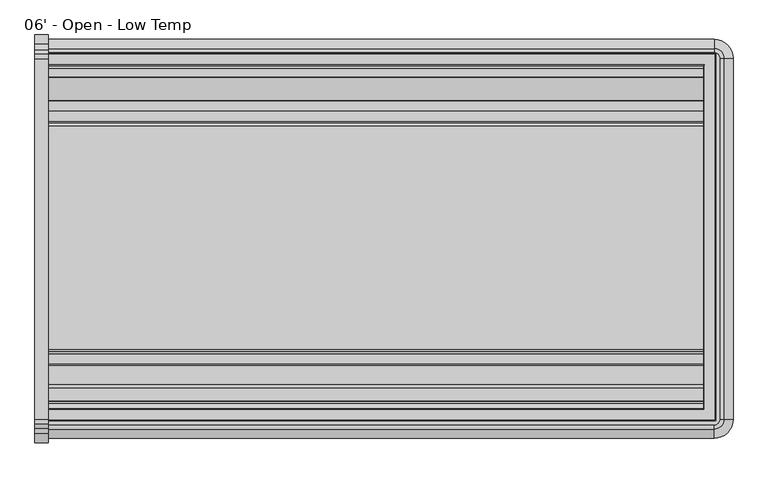
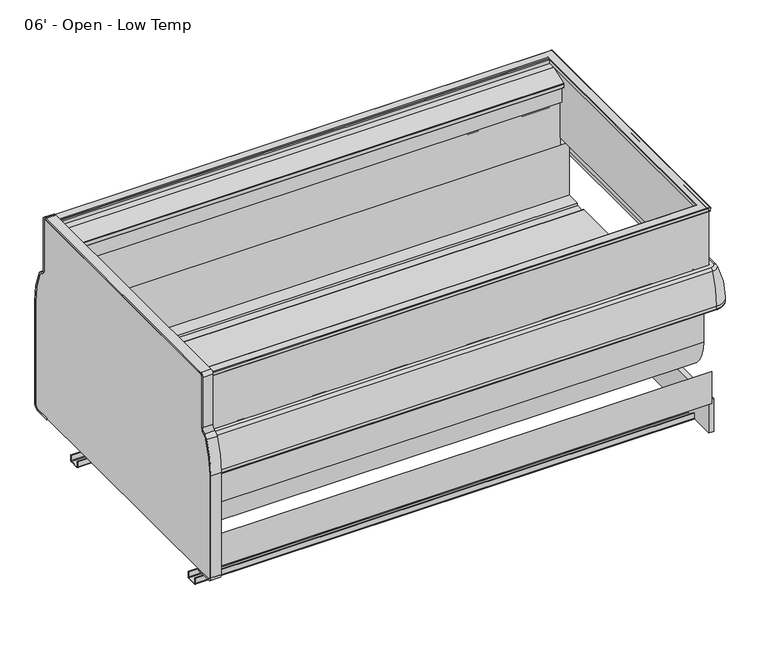
"""IFC4 building model written with IfcOpenShell, lengths in millimetres: proxy geometry, 06' - Open - Low Temp."""

from ifc_helpers import new_model, si_unit, point, frame, frame_2d, origin, place, context, project, spatial, polyline, circle_curve, ellipse_curve, trimmed, segment, composite_curve, outline, extrude, source, transform, mapped, element, save
from ifc_brep_helpers import plane_surface, cylinder_surface, revolved_surface, advanced_brep


def proxy_06_open_low_temp_35a147a4(model_context):
    return source(origin(), model_context, "Body", "SolidModel", [
        extrude(outline(composite_curve([segment(trimmed(circle_curve(frame_2d((-706.3089273, 750.8546562)), 311.15), [point((-395.1589273, 750.8546562))], [point((-421.4314087, 875.9910693))], True, "CARTESIAN"), True, "CONTINUOUS"), segment(trimmed(circle_curve(frame_2d((-438.8728894, 868.3296562)), 19.05), [point((-421.4314087, 875.9910693))], [point((-432.2872626, 886.2051148))], True, "CARTESIAN"), True, "CONTINUOUS"), segment(trimmed(circle_curve(frame_2d((-423.5064268, 910.0390596)), 25.4), [point((-432.2872626, 886.2051148))], [point((-448.9064268, 910.0390596))], False, "CARTESIAN"), True, "CONTINUOUS"), segment(polyline([(-448.9064268, 910.0390596), (-448.9064268, 1109.56602)]), True, "CONTINUOUS"), segment(trimmed(circle_curve(frame_2d((-455.2564268, 1109.56602)), 6.35), [point((-448.9064268, 1109.56602))], [point((-455.2564268, 1115.91602))], True, "CARTESIAN"), True, "CONTINUOUS"), segment(polyline([(-455.2564268, 1115.91602), (-1468.5364278, 1115.91602)]), True, "CONTINUOUS"), segment(trimmed(circle_curve(frame_2d((-1468.5364278, 1109.56602)), 6.35), [point((-1468.5364278, 1115.91602))], [point((-1474.8864278, 1109.56602))], True, "CARTESIAN"), True, "CONTINUOUS"), segment(polyline([(-1474.8864278, 1109.56602), (-1474.8864278, 910.0390596)]), True, "CONTINUOUS"), segment(trimmed(circle_curve(frame_2d((-1500.2864278, 910.0390596)), 25.4), [point((-1474.8864278, 910.0390596))], [point((-1491.505592, 886.2051148))], False, "CARTESIAN"), True, "CONTINUOUS"), segment(trimmed(circle_curve(frame_2d((-1484.9199652, 868.3296562)), 19.05), [point((-1491.505592, 886.2051148))], [point((-1502.3614459, 875.9910693))], True, "CARTESIAN"), True, "CONTINUOUS"), segment(trimmed(circle_curve(frame_2d((-1217.4839273, 750.8546562)), 311.15), [point((-1502.3614459, 875.9910693))], [point((-1528.6339273, 750.8546562))], True, "CARTESIAN"), True, "CONTINUOUS"), segment(polyline([(-1528.6339273, 750.8546562), (-1528.6339273, 344.70852)]), True, "CONTINUOUS"), segment(trimmed(circle_curve(frame_2d((-1515.9339273, 344.70852)), 12.7), [point((-1528.6339273, 344.70852))], [point((-1515.9339273, 332.00852))], True, "CARTESIAN"), True, "CONTINUOUS"), segment(polyline([(-1515.9339273, 332.00852), (-1455.9322513, 332.00852), (-1455.9322513, 325.65852), (-1515.9339273, 325.65852)]), True, "CONTINUOUS"), segment(trimmed(circle_curve(frame_2d((-1515.9339273, 344.70852)), 19.05), [point((-1515.9339273, 325.65852))], [point((-1534.9839273, 344.70852))], False, "CARTESIAN"), True, "CONTINUOUS"), segment(polyline([(-1534.9839273, 344.70852), (-1534.9839273, 750.8546562)]), True, "CONTINUOUS"), segment(trimmed(circle_curve(frame_2d((-1217.4839273, 750.8546562)), 317.5), [point((-1534.9839273, 750.8546562))], [point((-1508.1752729, 878.5448736))], False, "CARTESIAN"), True, "CONTINUOUS"), segment(trimmed(circle_curve(frame_2d((-1484.9199652, 868.3296562)), 25.4), [point((-1508.1752729, 878.5448736))], [point((-1493.700801, 892.163601))], False, "CARTESIAN"), True, "CONTINUOUS"), segment(trimmed(circle_curve(frame_2d((-1500.2864278, 910.0390596)), 19.05), [point((-1493.700801, 892.163601))], [point((-1481.2364278, 910.0390596))], True, "CARTESIAN"), True, "CONTINUOUS"), segment(polyline([(-1481.2364278, 910.0390596), (-1481.2364278, 1109.56602)]), True, "CONTINUOUS"), segment(trimmed(circle_curve(frame_2d((-1468.5364278, 1109.56602)), 12.7), [point((-1481.2364278, 1109.56602))], [point((-1468.5364278, 1122.26602))], False, "CARTESIAN"), True, "CONTINUOUS"), segment(polyline([(-1468.5364278, 1122.26602), (-455.2564268, 1122.26602)]), True, "CONTINUOUS"), segment(trimmed(circle_curve(frame_2d((-455.2564268, 1109.56602)), 12.7), [point((-455.2564268, 1122.26602))], [point((-442.5564268, 1109.56602))], False, "CARTESIAN"), True, "CONTINUOUS"), segment(polyline([(-442.5564268, 1109.56602), (-442.5564268, 910.0390596)]), True, "CONTINUOUS"), segment(trimmed(circle_curve(frame_2d((-423.5064268, 910.0390596)), 19.05), [point((-442.5564268, 910.0390596))], [point((-430.0920536, 892.163601))], True, "CARTESIAN"), True, "CONTINUOUS"), segment(trimmed(circle_curve(frame_2d((-438.8728894, 868.3296562)), 25.4), [point((-430.0920536, 892.163601))], [point((-415.6175817, 878.5448736))], False, "CARTESIAN"), True, "CONTINUOUS"), segment(trimmed(circle_curve(frame_2d((-706.3089273, 750.8546562)), 317.5), [point((-415.6175817, 878.5448736))], [point((-388.8089273, 750.8546562))], False, "CARTESIAN"), True, "CONTINUOUS"), segment(polyline([(-388.8089273, 750.8546562), (-388.8089273, 344.70852)]), True, "CONTINUOUS"), segment(trimmed(circle_curve(frame_2d((-407.8589273, 344.70852)), 19.05), [point((-388.8089273, 344.70852))], [point((-407.8589273, 325.65852))], False, "CARTESIAN"), True, "CONTINUOUS"), segment(polyline([(-407.8589273, 325.65852), (-466.0942513, 325.65852), (-466.0942513, 332.00852), (-407.8589273, 332.00852)]), True, "CONTINUOUS"), segment(trimmed(circle_curve(frame_2d((-407.8589273, 344.70852)), 12.7), [point((-407.8589273, 332.00852))], [point((-395.1589273, 344.70852))], True, "CARTESIAN"), True, "CONTINUOUS"), segment(polyline([(-395.1589273, 344.70852), (-395.1589273, 750.8546562)]), True, "CONTINUOUS")], self_intersect=False)), frame((-38.1, 0.0, 0.0), z_axis=(1.0, 0.0, 0.0), x_axis=(0.0, 1.0, 0.0)), (0.0, 0.0, 1.0), 38.1),
        extrude(outline(composite_curve([segment(polyline([(-395.1589273, 750.8546562), (-395.1589273, 344.70852)]), True, "CONTINUOUS"), segment(trimmed(circle_curve(frame_2d((-407.8589273, 344.70852)), 12.7), [point((-395.1589273, 344.70852))], [point((-407.8589273, 332.00852))], False, "CARTESIAN"), True, "CONTINUOUS"), segment(polyline([(-407.8589273, 332.00852), (-1515.9339273, 332.00852)]), True, "CONTINUOUS"), segment(trimmed(circle_curve(frame_2d((-1515.9339273, 344.70852)), 12.7), [point((-1515.9339273, 332.00852))], [point((-1528.6339273, 344.70852))], False, "CARTESIAN"), True, "CONTINUOUS"), segment(polyline([(-1528.6339273, 344.70852), (-1528.6339273, 750.8546562)]), True, "CONTINUOUS"), segment(trimmed(circle_curve(frame_2d((-1217.4839273, 750.8546562)), 311.15), [point((-1528.6339273, 750.8546562))], [point((-1502.3614459, 875.9910693))], False, "CARTESIAN"), True, "CONTINUOUS"), segment(trimmed(circle_curve(frame_2d((-1484.9199652, 868.3296562)), 19.05), [point((-1502.3614459, 875.9910693))], [point((-1491.505592, 886.2051148))], False, "CARTESIAN"), True, "CONTINUOUS"), segment(trimmed(circle_curve(frame_2d((-1500.2864278, 910.0390596)), 25.4), [point((-1491.505592, 886.2051148))], [point((-1474.8864278, 910.0390596))], True, "CARTESIAN"), True, "CONTINUOUS"), segment(polyline([(-1474.8864278, 910.0390596), (-1474.8864278, 1109.56602)]), True, "CONTINUOUS"), segment(trimmed(circle_curve(frame_2d((-1468.5364278, 1109.56602)), 6.35), [point((-1474.8864278, 1109.56602))], [point((-1468.5364278, 1115.91602))], False, "CARTESIAN"), True, "CONTINUOUS"), segment(polyline([(-1468.5364278, 1115.91602), (-455.2564268, 1115.91602)]), True, "CONTINUOUS"), segment(trimmed(circle_curve(frame_2d((-455.2564268, 1109.56602)), 6.35), [point((-455.2564268, 1115.91602))], [point((-448.9064268, 1109.56602))], False, "CARTESIAN"), True, "CONTINUOUS"), segment(polyline([(-448.9064268, 1109.56602), (-448.9064268, 910.0390596)]), True, "CONTINUOUS"), segment(trimmed(circle_curve(frame_2d((-423.5064268, 910.0390596)), 25.4), [point((-448.9064268, 910.0390596))], [point((-432.2872626, 886.2051148))], True, "CARTESIAN"), True, "CONTINUOUS"), segment(trimmed(circle_curve(frame_2d((-438.8728894, 868.3296562)), 19.05), [point((-432.2872626, 886.2051148))], [point((-421.4314087, 875.9910693))], False, "CARTESIAN"), True, "CONTINUOUS"), segment(trimmed(circle_curve(frame_2d((-706.3089273, 750.8546562)), 311.15), [point((-421.4314087, 875.9910693))], [point((-395.1589273, 750.8546562))], False, "CARTESIAN"), True, "CONTINUOUS")], self_intersect=False)), frame((-38.1, 0.0, 0.0), z_axis=(1.0, 0.0, 0.0), x_axis=(0.0, 1.0, 0.0)), (0.0, 0.0, 1.0), 38.1),
        extrude(outline(polyline([(1897.849374, -466.0942513), (1897.849374, -1455.9322513), (1877.7148438, -1455.9322513), (1877.7148438, -466.0942513), (1897.849374, -466.0942513)])), frame((0.0, 0.0, 202.18277), z_axis=(0.0, 0.0, 1.0), x_axis=(1.0, 0.0, 0.0)), (0.0, 0.0, 1.0), 129.82575),
        extrude(outline(composite_curve([segment(trimmed(circle_curve(frame_2d((-631.6006513, 595.49542)), 6.35), [point((-637.6294873, 593.50152))], [point((-631.6006513, 589.14542))], True, "CARTESIAN"), True, "CONTINUOUS"), segment(polyline([(-631.6006513, 589.14542), (-603.0256513, 589.14542), (-603.0256513, 586.78322), (-1312.6508513, 586.78322), (-1312.6508513, 589.14542), (-1284.0758513, 589.14542)]), True, "CONTINUOUS"), segment(trimmed(circle_curve(frame_2d((-1284.0758513, 595.49542)), 6.35), [point((-1284.0758513, 589.14542))], [point((-1278.0470154, 593.50152))], True, "CARTESIAN"), True, "CONTINUOUS"), segment(trimmed(circle_curve(frame_2d((-1272.0181794, 591.50762)), 6.35), [point((-1278.0470154, 593.50152))], [point((-1272.0181794, 597.85762))], False, "CARTESIAN"), True, "CONTINUOUS"), segment(polyline([(-1272.0181794, 597.85762), (-643.6583232, 597.85762)]), True, "CONTINUOUS"), segment(trimmed(circle_curve(frame_2d((-643.6583232, 591.50762)), 6.35), [point((-643.6583232, 597.85762))], [point((-637.6294873, 593.50152))], False, "CARTESIAN"), True, "CONTINUOUS")], self_intersect=False)), frame((0.0, 0.0, 0.0), z_axis=(1.0, 0.0, 0.0), x_axis=(0.0, 1.0, 0.0)), (0.0, 0.0, 1.0), 1877.7148438),
        extrude(outline(polyline([(-1323.1509772, 332.00852), (-1475.9703113, 332.00852), (-1475.9703113, 460.2391669), (-1323.1509772, 332.00852)])), frame((0.0, 0.0, 0.0), z_axis=(1.0, 0.0, 0.0), x_axis=(0.0, 1.0, 0.0)), (0.0, 0.0, 1.0), 1877.7148438),
        extrude(outline(composite_curve([segment(polyline([(-1320.1946513, 227.08747), (-1320.1946513, 207.33897)]), True, "CONTINUOUS"), segment(trimmed(circle_curve(frame_2d((-1325.3508513, 207.33897)), 5.1562), [point((-1320.1946513, 207.33897))], [point((-1325.3508513, 202.18277))], False, "CARTESIAN"), True, "CONTINUOUS"), segment(polyline([(-1325.3508513, 202.18277), (-1360.5361197, 202.18277)]), True, "CONTINUOUS"), segment(trimmed(circle_curve(frame_2d((-1360.5361197, 207.33897)), 5.1562), [point((-1360.5361197, 202.18277))], [point((-1365.6923197, 207.33897))], False, "CARTESIAN"), True, "CONTINUOUS"), segment(polyline([(-1365.6923197, 207.33897), (-1365.6923197, 227.07477), (-1362.6507513, 227.07477), (-1362.6507513, 207.33897)]), True, "CONTINUOUS"), segment(trimmed(circle_curve(frame_2d((-1360.2631513, 207.33897)), 2.3876), [point((-1362.6507513, 207.33897))], [point((-1360.2631513, 204.95137))], True, "CARTESIAN"), True, "CONTINUOUS"), segment(polyline([(-1360.2631513, 204.95137), (-1325.3508513, 204.95137)]), True, "CONTINUOUS"), segment(trimmed(circle_curve(frame_2d((-1325.3508513, 207.33897)), 2.3876), [point((-1325.3508513, 204.95137))], [point((-1322.9632513, 207.33897))], True, "CARTESIAN"), True, "CONTINUOUS"), segment(polyline([(-1322.9632513, 207.33897), (-1322.9632513, 227.08747), (-1320.1946513, 227.08747)]), True, "CONTINUOUS")], self_intersect=False)), frame((0.0, 0.0, 0.0), z_axis=(1.0, 0.0, 0.0), x_axis=(0.0, 1.0, 0.0)), (0.0, 0.0, 1.0), 1877.7148438),
        extrude(outline(composite_curve([segment(polyline([(-601.8318513, 227.08747), (-599.0632513, 227.08747), (-599.0632513, 207.33897)]), True, "CONTINUOUS"), segment(trimmed(circle_curve(frame_2d((-596.6756513, 207.33897)), 2.3876), [point((-599.0632513, 207.33897))], [point((-596.6756513, 204.95137))], True, "CARTESIAN"), True, "CONTINUOUS"), segment(polyline([(-596.6756513, 204.95137), (-561.7633513, 204.95137)]), True, "CONTINUOUS"), segment(trimmed(circle_curve(frame_2d((-561.7633513, 207.33897)), 2.3876), [point((-561.7633513, 204.95137))], [point((-559.3757513, 207.33897))], True, "CARTESIAN"), True, "CONTINUOUS"), segment(polyline([(-559.3757513, 207.33897), (-559.3757513, 227.07477), (-556.6071513, 227.07477), (-556.6071513, 207.33897)]), True, "CONTINUOUS"), segment(trimmed(circle_curve(frame_2d((-561.7633513, 207.33897)), 5.1562), [point((-556.6071513, 207.33897))], [point((-561.7633513, 202.18277))], False, "CARTESIAN"), True, "CONTINUOUS"), segment(polyline([(-561.7633513, 202.18277), (-596.6756513, 202.18277)]), True, "CONTINUOUS"), segment(trimmed(circle_curve(frame_2d((-596.6756513, 207.33897)), 5.1562), [point((-596.6756513, 202.18277))], [point((-601.8318513, 207.33897))], False, "CARTESIAN"), True, "CONTINUOUS"), segment(polyline([(-601.8318513, 207.33897), (-601.8318513, 227.08747)]), True, "CONTINUOUS")], self_intersect=False)), frame((0.0, 0.0, 0.0), z_axis=(1.0, 0.0, 0.0), x_axis=(0.0, 1.0, 0.0)), (0.0, 0.0, 1.0), 1877.7148438),
        extrude(outline(polyline([(1843.2859375, -535.8055412), (1843.2859375, -559.6180412), (0.0, -559.6180412), (0.0, -535.8055412), (1843.2859375, -535.8055412)])), frame((0.0, 0.0, 986.69352), z_axis=(0.0, 0.0, 1.0), x_axis=(1.0, 0.0, 0.0)), (0.0, 0.0, 1.0), 76.2),
        extrude(outline(composite_curve([segment(polyline([(-559.6180412, 1062.89352), (-559.6180412, 1051.0452374), (-571.7875237, 1051.0452374)]), True, "CONTINUOUS"), segment(trimmed(circle_curve(frame_2d((-571.7875237, 1053.3566374)), 2.3114), [point((-571.7875237, 1051.0452374))], [point((-574.0989237, 1053.3566374))], False, "CARTESIAN"), True, "CONTINUOUS"), segment(polyline([(-574.0989237, 1053.3566374), (-574.0989237, 1067.7909777)]), True, "CONTINUOUS"), segment(trimmed(circle_curve(frame_2d((-571.7875237, 1067.7909777)), 2.3114), [point((-574.0989237, 1067.7909777))], [point((-572.578069, 1069.9629832))], False, "CARTESIAN"), True, "CONTINUOUS"), segment(polyline([(-572.578069, 1069.9629832), (-507.7688069, 1093.5516255)]), True, "CONTINUOUS"), segment(trimmed(circle_curve(frame_2d((-506.9782615, 1091.37962)), 2.3114), [point((-507.7688069, 1093.5516255))], [point((-506.9782615, 1093.69102))], False, "CARTESIAN"), True, "CONTINUOUS"), segment(polyline([(-506.9782615, 1093.69102), (-482.2433533, 1093.69102), (-482.2433533, 840.41492), (-498.2829273, 840.41492), (-498.2829273, 808.60777), (-549.0765773, 808.60777), (-549.0765773, 986.69352), (-535.8055412, 986.69352), (-535.8055412, 1062.89352), (-559.6180412, 1062.89352)]), True, "CONTINUOUS")], self_intersect=False)), frame((0.0, 0.0, 0.0), z_axis=(1.0, 0.0, 0.0), x_axis=(0.0, 1.0, 0.0)), (0.0, 0.0, 1.0), 1843.2859375),
        extrude(outline(composite_curve([segment(trimmed(circle_curve(frame_2d((-1417.1508503, 841.4633151)), 1.0483951), [point((-1417.1508503, 840.41492))], [point((-1418.1992454, 841.4633151))], False, "CARTESIAN"), True, "CONTINUOUS"), segment(polyline([(-1418.1992454, 841.4633151), (-1418.1992454, 861.3823037)]), True, "CONTINUOUS"), segment(trimmed(circle_curve(frame_2d((-1416.8146291, 861.3823037)), 1.3846163), [point((-1418.1992454, 861.3823037))], [point((-1416.8146291, 862.76692))], False, "CARTESIAN"), True, "CONTINUOUS"), segment(polyline([(-1416.8146291, 862.76692), (-1380.8816013, 862.76692), (-1380.8816013, 840.41492), (-1417.1508503, 840.41492)]), True, "CONTINUOUS")], self_intersect=False)), frame((0.0, 0.0, 0.0), z_axis=(1.0, 0.0, 0.0), x_axis=(0.0, 1.0, 0.0)), (0.0, 0.0, 1.0), 1843.2859375),
        extrude(outline(polyline([(1843.2859375, -1371.3566013), (1843.2859375, -1380.8816013), (0.0, -1380.8816013), (0.0, -1371.3566013), (1843.2859375, -1371.3566013)])), frame((0.0, 0.0, 830.58512), z_axis=(0.0, 0.0, 1.0), x_axis=(1.0, 0.0, 0.0)), (0.0, 0.0, 1.0), 156.1084),
        extrude(outline(composite_curve([segment(polyline([(-498.2829273, 808.60777), (-498.2829273, 567.7232408)]), True, "CONTINUOUS"), segment(trimmed(circle_curve(frame_2d((-650.6829273, 567.7232408)), 152.4), [point((-498.2829273, 567.7232408))], [point((-645.364244, 415.4160788))], False, "CARTESIAN"), True, "CONTINUOUS"), segment(polyline([(-645.364244, 415.4160788), (-1266.4759331, 393.268902)]), True, "CONTINUOUS"), segment(trimmed(circle_curve(frame_2d((-1271.9033854, 545.4803582)), 152.3081897), [point((-1266.4759331, 393.268902))], [point((-1424.2105725, 546.0329855))], False, "CARTESIAN"), True, "CONTINUOUS"), segment(polyline([(-1424.2105725, 546.0329855), (-1424.2105725, 840.41492), (-1380.8816013, 840.41492), (-1380.8816013, 830.58512), (-1371.3566013, 830.58512), (-1371.3566013, 599.8346341), (-1319.1220273, 599.8346341), (-1319.1220273, 582.1562341), (-602.2578273, 582.1562341), (-602.2578273, 599.34352), (-549.0765773, 599.34352), (-549.0765773, 808.60777), (-498.2829273, 808.60777)]), True, "CONTINUOUS")], self_intersect=False)), frame((0.0, 0.0, 0.0), z_axis=(1.0, 0.0, 0.0), x_axis=(0.0, 1.0, 0.0)), (0.0, 0.0, 1.0), 1877.7148438),
        advanced_brep(
        [(0.0, -1468.5687513, 1099.2231802), (0.0, -1469.9408252, 1096.6426846), (0.0, -1472.8095089, 1097.3049725), (0.0, -1473.2477185, 1109.8536533), (0.0, -1470.9377266, 1112.24572), (0.0, -1441.7098388, 1112.24572), (0.0, -1439.3984388, 1109.93432), (0.0, -1439.3984388, 1097.94552), (0.0, -1441.5812513, 1097.94552), (0.0, -1441.5812513, 1108.82942), (0.0, -1468.5687513, 1108.82942), (0.0, -446.0758361, 1099.2231802), (0.0, -446.0758361, 1108.82942), (0.0, -473.0633361, 1108.82942), (0.0, -473.0633361, 1097.94552), (0.0, -475.2461486, 1097.94552), (0.0, -475.2461486, 1109.93432), (0.0, -472.9347486, 1112.24572), (0.0, -443.7068608, 1112.24572), (0.0, -441.3968689, 1109.8536533), (0.0, -441.8350785, 1097.3049725), (0.0, -444.7037622, 1096.6426846), (1870.334824, -446.0758361, 1099.2231802), (1870.334824, -446.0758361, 1108.82942), (1870.334824, -1468.5687513, 1108.82942), (1843.347324, -1441.5812513, 1108.82942), (1843.347324, -473.0633361, 1108.82942), (1843.347324, -473.0633361, 1097.94552), (1843.347324, -1441.5812513, 1097.94552), (1841.1645115, -1439.3984388, 1097.94552), (1841.1645115, -475.2461486, 1097.94552), (1841.1645115, -475.2461486, 1109.93432), (1843.4759115, -472.9347486, 1112.24572), (1843.4759115, -1441.7098388, 1112.24572), (1872.7037993, -1470.9377266, 1112.24572), (1872.7037993, -443.7068608, 1112.24572), (1875.0137912, -441.3968689, 1109.8536533), (1874.5755816, -441.8350785, 1097.3049725), (1871.7068979, -444.7037622, 1096.6426846), (1870.334824, -1468.5687513, 1099.2231802), (1841.1645115, -1439.3984388, 1109.93432), (1875.0137912, -1473.2477185, 1109.8536533), (1874.5755816, -1472.8095089, 1097.3049725), (1871.7068979, -1469.9408252, 1096.6426846)],
        [
            (0, 1),
            (1, 2, circle_curve(frame((0.0, -1471.2864373, 1097.3581593), z_axis=(-1.0, 0.0, 0.0), x_axis=(0.0, -1.0, 0.0)), 1.524)),
            (2, 3),
            (3, 4, circle_curve(frame((0.0, -1470.9377266, 1109.93432), z_axis=(-1.0, 0.0, 0.0), x_axis=(0.0, -1.0, 0.0)), 2.3114)),
            (4, 5),
            (5, 6, circle_curve(frame((0.0, -1441.7098388, 1109.93432), z_axis=(-1.0, 0.0, 0.0), x_axis=(0.0, -1.0, 0.0)), 2.3114)),
            (6, 7),
            (7, 8),
            (8, 9),
            (9, 10),
            (10, 0),
            (11, 12),
            (12, 13),
            (13, 14),
            (14, 15),
            (15, 16),
            (16, 17, circle_curve(frame((0.0, -472.9347486, 1109.93432), z_axis=(-1.0, 0.0, 0.0), x_axis=(0.0, 1.0, 0.0)), 2.3114)),
            (17, 18),
            (18, 19, circle_curve(frame((0.0, -443.7068608, 1109.93432), z_axis=(-1.0, 0.0, 0.0), x_axis=(0.0, 1.0, 0.0)), 2.3114)),
            (19, 20),
            (20, 21, circle_curve(frame((0.0, -443.3581501, 1097.3581593), z_axis=(-1.0, 0.0, 0.0), x_axis=(0.0, 1.0, 0.0)), 1.524)),
            (21, 11),
            (11, 22),
            (22, 23),
            (23, 12),
            (23, 24),
            (24, 10),
            (9, 25),
            (25, 26),
            (26, 13),
            (26, 27),
            (27, 14),
            (27, 28),
            (28, 8),
            (7, 29),
            (29, 30),
            (30, 15),
            (30, 31),
            (31, 16),
            (31, 32, ellipse_curve(frame((1843.4759115, -472.9347486, 1109.93432), z_axis=(-0.7071067811865475, 0.7071067811865475, 0.0), x_axis=(-0.7071067811865476, -0.7071067811865474, 0.0)), 3.2688132, 2.3114)),
            (32, 17),
            (32, 33),
            (33, 5),
            (4, 34),
            (34, 35),
            (35, 18),
            (35, 36, ellipse_curve(frame((1872.7037993, -443.7068608, 1109.93432), z_axis=(-0.7071067811865475, 0.7071067811865475, 0.0), x_axis=(-0.7071067811865476, -0.7071067811865474, 0.0)), 3.2688132, 2.3114)),
            (36, 19),
            (36, 37),
            (37, 20),
            (37, 38, ellipse_curve(frame((1873.05251, -443.3581501, 1097.3581593), z_axis=(-0.7071067811865475, 0.7071067811865475, 0.0), x_axis=(-0.7071067811865476, -0.7071067811865474, 0.0)), 2.1552615, 1.524)),
            (38, 21),
            (38, 22),
            (22, 39),
            (39, 24),
            (25, 28),
            (29, 40),
            (40, 31),
            (40, 33, ellipse_curve(frame((1843.4759115, -1441.7098388, 1109.93432), z_axis=(0.7071067811865475, 0.7071067811865475, 0.0), x_axis=(-0.7071067811865474, 0.7071067811865476, 0.0)), 3.2688132, 2.3114)),
            (34, 41, ellipse_curve(frame((1872.7037993, -1470.9377266, 1109.93432), z_axis=(0.7071067811865475, 0.7071067811865475, 0.0), x_axis=(-0.7071067811865474, 0.7071067811865476, 0.0)), 3.2688132, 2.3114)),
            (41, 36),
            (41, 42),
            (42, 37),
            (42, 43, ellipse_curve(frame((1873.05251, -1471.2864373, 1097.3581593), z_axis=(0.7071067811865475, 0.7071067811865475, 0.0), x_axis=(-0.7071067811865474, 0.7071067811865476, 0.0)), 2.1552615, 1.524)),
            (43, 38),
            (43, 39),
            (39, 0),
            (6, 40),
            (3, 41),
            (2, 42),
            (1, 43),
        ],
        [
            plane_surface(frame((0.0, -1522.2839273, 844.55), z_axis=(-1.0, 0.0, 0.0), x_axis=(0.0, 0.0, 1.0))),
            plane_surface(frame((0.0, -392.3606601, 844.55), z_axis=(-1.0, 0.0, 0.0), x_axis=(0.0, 0.0, 1.0))),
            plane_surface(frame((0.0, -446.0758361, 1099.2231802), z_axis=(0.0, -1.0, 0.0), x_axis=(1.0, 0.0, 0.0))),
            plane_surface(frame((0.0, -446.0758361, 1108.82942), z_axis=(0.0, 0.0, -1.0), x_axis=(1.0, 0.0, 0.0))),
            plane_surface(frame((0.0, -473.0633361, 1108.82942), z_axis=(0.0, 1.0, 0.0), x_axis=(1.0, 0.0, 0.0))),
            plane_surface(frame((0.0, -473.0633361, 1097.94552), z_axis=(0.0, 0.0, -1.0), x_axis=(1.0, 0.0, 0.0))),
            plane_surface(frame((0.0, -475.2461486, 1097.94552), z_axis=(0.0, -1.0, 0.0), x_axis=(1.0, 0.0, 0.0))),
            cylinder_surface(frame((0.0, -472.9347486, 1109.93432), z_axis=(-1.0, 0.0, 0.0), x_axis=(0.0, 1.0, 0.0)), 2.3114),
            plane_surface(frame((0.0, -472.9347486, 1112.24572), z_axis=(0.0, 0.0, 1.0), x_axis=(1.0, 0.0, 0.0))),
            cylinder_surface(frame((0.0, -443.7068608, 1109.93432), z_axis=(-1.0, 0.0, 0.0), x_axis=(0.0, 1.0, 0.0)), 2.3114),
            plane_surface(frame((0.0, -441.3968689, 1109.8536533), z_axis=(0.0, 0.9993908270194976, -0.03489949669099775), x_axis=(1.0, 0.0, 0.0))),
            cylinder_surface(frame((0.0, -443.3581501, 1097.3581593), z_axis=(-1.0, 0.0, 0.0), x_axis=(0.0, 1.0, 0.0)), 1.524),
            plane_surface(frame((0.0, -444.7037622, 1096.6426846), z_axis=(0.0, -0.8829475928207327, -0.469471562857724), x_axis=(1.0, 0.0, 0.0))),
            plane_surface(frame((1870.334824, -446.0758361, 1099.2231802), z_axis=(-1.0, 0.0, 0.0), x_axis=(0.0, -1.0, 0.0))),
            plane_surface(frame((1843.347324, -473.0633361, 1108.82942), z_axis=(1.0, 0.0, 0.0), x_axis=(0.0, -1.0, 0.0))),
            plane_surface(frame((1841.1645115, -475.2461486, 1097.94552), z_axis=(-1.0, 0.0, 0.0), x_axis=(0.0, -1.0, 0.0))),
            cylinder_surface(frame((1843.4759115, -392.3606601, 1109.93432), z_axis=(0.0, 1.0, 0.0), x_axis=(1.0, 0.0, 0.0)), 2.3114),
            cylinder_surface(frame((1872.7037993, -392.3606601, 1109.93432), z_axis=(0.0, 1.0, 0.0), x_axis=(1.0, 0.0, 0.0)), 2.3114),
            plane_surface(frame((1875.0137912, -441.3968689, 1109.8536533), z_axis=(0.9993908270194976, 0.0, -0.03489949669099775), x_axis=(0.0, -1.0, 0.0))),
            cylinder_surface(frame((1873.05251, -392.3606601, 1097.3581593), z_axis=(0.0, 1.0, 0.0), x_axis=(1.0, 0.0, 0.0)), 1.524),
            plane_surface(frame((1871.7068979, -444.7037622, 1096.6426846), z_axis=(-0.8829475928207327, 0.0, -0.469471562857724), x_axis=(0.0, -1.0, 0.0))),
            plane_surface(frame((1870.334824, -1468.5687513, 1099.2231802), z_axis=(0.0, 1.0, 0.0), x_axis=(-1.0, 0.0, 0.0))),
            plane_surface(frame((1843.347324, -1441.5812513, 1108.82942), z_axis=(0.0, -1.0, 0.0), x_axis=(-1.0, 0.0, 0.0))),
            plane_surface(frame((1841.1645115, -1439.3984388, 1097.94552), z_axis=(0.0, 1.0, 0.0), x_axis=(-1.0, 0.0, 0.0))),
            cylinder_surface(frame((1924.05, -1441.7098388, 1109.93432), z_axis=(1.0, 0.0, 0.0), x_axis=(0.0, -1.0, 0.0)), 2.3114),
            cylinder_surface(frame((1924.05, -1470.9377266, 1109.93432), z_axis=(1.0, 0.0, 0.0), x_axis=(0.0, -1.0, 0.0)), 2.3114),
            plane_surface(frame((1875.0137912, -1473.2477185, 1109.8536533), z_axis=(0.0, -0.9993908270194976, -0.03489949669099775), x_axis=(-1.0, 0.0, 0.0))),
            cylinder_surface(frame((1924.05, -1471.2864373, 1097.3581593), z_axis=(1.0, 0.0, 0.0), x_axis=(0.0, -1.0, 0.0)), 1.524),
            plane_surface(frame((1871.7068979, -1469.9408252, 1096.6426846), z_axis=(0.0, 0.8829475928207327, -0.469471562857724), x_axis=(-1.0, 0.0, 0.0))),
        ],
        [
            (0, [[1, 2, 3, 4, 5, 6, 7, 8, 9, 10, 11]]),
            (1, [[12, 13, 14, 15, 16, 17, 18, 19, 20, 21, 22]]),
            (2, [[-12, 23, 24, 25]]),
            (3, [[-13, -25, 26, 27, -10, 28, 29, 30]]),
            (4, [[-14, -30, 31, 32]]),
            (5, [[-15, -32, 33, 34, -8, 35, 36, 37]]),
            (6, [[-16, -37, 38, 39]]),
            (7, [[-17, -39, 40, 41]]),
            (8, [[-18, -41, 42, 43, -5, 44, 45, 46]]),
            (9, [[-19, -46, 47, 48]]),
            (10, [[-20, -48, 49, 50]]),
            (11, [[-21, -50, 51, 52]]),
            (12, [[-22, -52, 53, -23]]),
            (13, [[-24, 54, 55, -26]]),
            (14, [[-31, -29, 56, -33]]),
            (15, [[-38, -36, 57, 58]]),
            (16, [[-40, -58, 59, -42]]),
            (17, [[-47, -45, 60, 61]]),
            (18, [[-49, -61, 62, 63]]),
            (19, [[-51, -63, 64, 65]]),
            (20, [[-53, -65, 66, -54]]),
            (21, [[-55, 67, -11, -27]]),
            (22, [[-56, -28, -9, -34]]),
            (23, [[-57, -35, -7, 68]]),
            (24, [[-59, -68, -6, -43]]),
            (25, [[-60, -44, -4, 69]]),
            (26, [[-62, -69, -3, 70]]),
            (27, [[-64, -70, -2, 71]]),
            (28, [[-66, -71, -1, -67]]),
        ],
    ),
        extrude(outline(polyline([(0.0, -482.2433533), (0.0, -455.2564268), (1870.3025005, -455.2564268), (1870.3025005, -1468.5364278), (0.0, -1468.5364278), (0.0, -1441.5495013), (1843.315574, -1441.5495013), (1843.315574, -482.2433533), (0.0, -482.2433533)])), frame((0.0, 0.0, 840.41492), z_axis=(0.0, 0.0, 1.0), x_axis=(1.0, 0.0, 0.0)), (0.0, 0.0, 1.0), 268.4145),
        advanced_brep(
        [(0.0, -438.8728894, 881.0296562), (0.0, -452.8208821, 881.0296562), (1870.71, -452.8208821, 881.0296562), (1872.7380452, -454.8489273, 881.0296562), (1872.7380452, -1468.9439273, 881.0296562), (1870.71, -1470.9719725, 881.0296562), (0.0, -1470.9719725, 881.0296562), (0.0, -1484.9199652, 881.0296562), (1870.71, -1484.9199652, 881.0296562), (1886.6860379, -1468.9439273, 881.0296562), (1886.6860379, -454.8489273, 881.0296562), (1870.71, -438.8728894, 881.0296562), (0.0, -427.2452356, 873.4372649), (1870.71, -427.2452356, 873.4372649), (0.0, -401.5089273, 750.8546562), (1870.71, -401.5089273, 750.8546562), (0.0, -401.5089273, 739.0203101), (1870.71, -401.5089273, 739.0203101), (0.0, -405.6318205, 733.6472511), (1870.71, -405.6318205, 733.6472511), (0.0, -412.7928603, 731.7284562), (1870.71, -412.7928603, 731.7284562), (0.0, -427.7095533, 731.7284562), (1912.766067, -454.8489273, 731.7284562), (1912.766067, -1468.9439273, 731.7284562), (1870.71, -1510.9999943, 731.7284562), (0.0, -1510.9999943, 731.7284562), (0.0, -1496.0833013, 731.7284562), (1870.71, -1496.0833013, 731.7284562), (1897.849374, -1468.9439273, 731.7284562), (1897.849374, -454.8489273, 731.7284562), (1870.71, -427.7095533, 731.7284562), (1898.3136917, -454.8489273, 873.4372649), (1924.05, -454.8489273, 750.8546562), (1924.05, -454.8489273, 739.0203101), (1919.9271068, -454.8489273, 733.6472511), (1898.3136917, -1468.9439273, 873.4372649), (1924.05, -1468.9439273, 750.8546562), (1924.05, -1468.9439273, 739.0203101), (1919.9271068, -1468.9439273, 733.6472511), (1870.71, -1496.547619, 873.4372649), (1870.71, -1522.2839273, 750.8546562), (1870.71, -1522.2839273, 739.0203101), (1870.71, -1518.1610341, 733.6472511), (0.0, -1470.9719725, 840.41492), (0.0, -1475.9703113, 840.41492), (0.0, -1475.9703113, 773.39702), (0.0, -1496.0833013, 773.39702), (0.0, -1518.1610341, 733.6472511), (0.0, -1522.2839273, 739.0203101), (0.0, -1522.2839273, 750.8546562), (0.0, -1496.547619, 873.4372649), (0.0, -427.7095533, 773.39702), (0.0, -447.8225433, 773.39702), (0.0, -447.8225433, 840.41492), (0.0, -452.8208821, 840.41492), (1870.71, -427.7095533, 773.39702), (1897.849374, -454.8489273, 773.39702), (1897.849374, -1468.9439273, 773.39702), (1870.71, -1496.0833013, 773.39702), (1870.71, -1475.9703113, 773.39702), (1877.736384, -1468.9439273, 773.39702), (1877.736384, -454.8489273, 773.39702), (1870.71, -447.8225433, 773.39702), (1870.71, -447.8225433, 840.41492), (1877.736384, -454.8489273, 840.41492), (1877.736384, -1468.9439273, 840.41492), (1870.71, -1475.9703113, 840.41492), (1870.71, -1470.9719725, 840.41492), (1872.7380452, -1468.9439273, 840.41492), (1872.7380452, -454.8489273, 840.41492), (1870.71, -452.8208821, 840.41492)],
        [
            (0, 1),
            (1, 2),
            (2, 3, circle_curve(frame((1870.71, -454.8489273, 881.0296562), z_axis=(0.0, 0.0, -1.0), x_axis=(0.0, 1.0, 0.0)), 2.0280452)),
            (3, 4),
            (4, 5, circle_curve(frame((1870.71, -1468.9439273, 881.0296562), z_axis=(0.0, 0.0, -1.0), x_axis=(1.0, 0.0, 0.0)), 2.0280452)),
            (5, 6),
            (6, 7),
            (7, 8),
            (8, 9, circle_curve(frame((1870.71, -1468.9439273, 881.0296562), z_axis=(0.0, 0.0, 1.0), x_axis=(1.0, 0.0, 0.0)), 15.9760379)),
            (9, 10),
            (10, 11, circle_curve(frame((1870.71, -454.8489273, 881.0296562), z_axis=(0.0, 0.0, 1.0), x_axis=(0.0, 1.0, 0.0)), 15.9760379)),
            (11, 0),
            (12, 0, circle_curve(frame((0.0, -438.8728894, 868.3296562), z_axis=(1.0, 0.0, 0.0), x_axis=(0.0, 1.0, 0.0)), 12.7)),
            (11, 13, circle_curve(frame((1870.71, -438.8728894, 868.3296562), z_axis=(-1.0, 0.0, 0.0), x_axis=(0.0, 1.0, 0.0)), 12.7)),
            (13, 12),
            (14, 12, circle_curve(frame((0.0, -706.3089273, 750.8546562), z_axis=(1.0, 0.0, 0.0), x_axis=(0.0, 1.0, 0.0)), 304.8)),
            (13, 15, circle_curve(frame((1870.71, -706.3089273, 750.8546562), z_axis=(-1.0, 0.0, 0.0), x_axis=(0.0, 1.0, 0.0)), 304.8)),
            (15, 14),
            (16, 14),
            (15, 17),
            (17, 16),
            (18, 16, circle_curve(frame((0.0, -407.0715273, 739.0203101), z_axis=(1.0, 0.0, 0.0), x_axis=(0.0, 1.0, 0.0)), 5.5626)),
            (17, 19, circle_curve(frame((1870.71, -407.0715273, 739.0203101), z_axis=(-1.0, 0.0, 0.0), x_axis=(0.0, 1.0, 0.0)), 5.5626)),
            (19, 18),
            (20, 18),
            (19, 21),
            (21, 20),
            (22, 20),
            (21, 23, circle_curve(frame((1870.71, -454.8489273, 731.7284562), z_axis=(0.0, 0.0, -1.0), x_axis=(0.0, 1.0, 0.0)), 42.056067)),
            (23, 24),
            (24, 25, circle_curve(frame((1870.71, -1468.9439273, 731.7284562), z_axis=(0.0, 0.0, -1.0), x_axis=(1.0, 0.0, 0.0)), 42.056067)),
            (25, 26),
            (26, 27),
            (27, 28),
            (28, 29, circle_curve(frame((1870.71, -1468.9439273, 731.7284562), z_axis=(0.0, 0.0, 1.0), x_axis=(1.0, 0.0, 0.0)), 27.139374)),
            (29, 30),
            (30, 31, circle_curve(frame((1870.71, -454.8489273, 731.7284562), z_axis=(0.0, 0.0, 1.0), x_axis=(0.0, 1.0, 0.0)), 27.139374)),
            (31, 22),
            (32, 13, circle_curve(frame((1870.71, -454.8489273, 873.4372649), z_axis=(0.0, 0.0, 1.0), x_axis=(0.0, 1.0, 0.0)), 27.6036917)),
            (10, 32, circle_curve(frame((1886.6860379, -454.8489273, 868.3296562), z_axis=(0.0, 1.0, 0.0), x_axis=(1.0, 0.0, 0.0)), 12.7)),
            (33, 15, circle_curve(frame((1870.71, -454.8489273, 750.8546562), z_axis=(0.0, 0.0, 1.0), x_axis=(0.0, 1.0, 0.0)), 53.34)),
            (32, 33, circle_curve(frame((1619.25, -454.8489273, 750.8546562), z_axis=(0.0, 1.0, 0.0), x_axis=(1.0, 0.0, 0.0)), 304.8)),
            (34, 17, circle_curve(frame((1870.71, -454.8489273, 739.0203101), z_axis=(0.0, 0.0, 1.0), x_axis=(0.0, 1.0, 0.0)), 53.34)),
            (33, 34),
            (35, 19, circle_curve(frame((1870.71, -454.8489273, 733.6472511), z_axis=(0.0, 0.0, 1.0), x_axis=(0.0, 1.0, 0.0)), 49.2171068)),
            (34, 35, circle_curve(frame((1918.4874, -454.8489273, 739.0203101), z_axis=(0.0, 1.0, 0.0), x_axis=(1.0, 0.0, 0.0)), 5.5626)),
            (35, 23),
            (9, 36, circle_curve(frame((1886.6860379, -1468.9439273, 868.3296562), z_axis=(0.0, 1.0, 0.0), x_axis=(1.0, 0.0, 0.0)), 12.7)),
            (36, 32),
            (36, 37, circle_curve(frame((1619.25, -1468.9439273, 750.8546562), z_axis=(0.0, 1.0, 0.0), x_axis=(1.0, 0.0, 0.0)), 304.8)),
            (37, 33),
            (37, 38),
            (38, 34),
            (38, 39, circle_curve(frame((1918.4874, -1468.9439273, 739.0203101), z_axis=(0.0, 1.0, 0.0), x_axis=(1.0, 0.0, 0.0)), 5.5626)),
            (39, 35),
            (39, 24),
            (40, 36, circle_curve(frame((1870.71, -1468.9439273, 873.4372649), z_axis=(0.0, 0.0, 1.0), x_axis=(1.0, 0.0, 0.0)), 27.6036917)),
            (8, 40, circle_curve(frame((1870.71, -1484.9199652, 868.3296562), z_axis=(1.0, 0.0, 0.0), x_axis=(0.0, -1.0, 0.0)), 12.7)),
            (41, 37, circle_curve(frame((1870.71, -1468.9439273, 750.8546562), z_axis=(0.0, 0.0, 1.0), x_axis=(1.0, 0.0, 0.0)), 53.34)),
            (40, 41, circle_curve(frame((1870.71, -1217.4839273, 750.8546562), z_axis=(1.0, 0.0, 0.0), x_axis=(0.0, -1.0, 0.0)), 304.8)),
            (42, 38, circle_curve(frame((1870.71, -1468.9439273, 739.0203101), z_axis=(0.0, 0.0, 1.0), x_axis=(1.0, 0.0, 0.0)), 53.34)),
            (41, 42),
            (43, 39, circle_curve(frame((1870.71, -1468.9439273, 733.6472511), z_axis=(0.0, 0.0, 1.0), x_axis=(1.0, 0.0, 0.0)), 49.2171068)),
            (42, 43, circle_curve(frame((1870.71, -1516.7213273, 739.0203101), z_axis=(1.0, 0.0, 0.0), x_axis=(0.0, -1.0, 0.0)), 5.5626)),
            (43, 25),
            (6, 44),
            (44, 45),
            (45, 46),
            (46, 47),
            (47, 27),
            (26, 48),
            (48, 49, circle_curve(frame((0.0, -1516.7213273, 739.0203101), z_axis=(-1.0, 0.0, 0.0), x_axis=(0.0, -1.0, 0.0)), 5.5626)),
            (49, 50),
            (50, 51, circle_curve(frame((0.0, -1217.4839273, 750.8546562), z_axis=(-1.0, 0.0, 0.0), x_axis=(0.0, -1.0, 0.0)), 304.8)),
            (51, 7, circle_curve(frame((0.0, -1484.9199652, 868.3296562), z_axis=(-1.0, 0.0, 0.0), x_axis=(0.0, -1.0, 0.0)), 12.7)),
            (51, 40),
            (50, 41),
            (49, 42),
            (48, 43),
            (22, 52),
            (52, 53),
            (53, 54),
            (54, 55),
            (55, 1),
            (52, 56),
            (56, 57, circle_curve(frame((1870.71, -454.8489273, 773.39702), z_axis=(0.0, 0.0, -1.0), x_axis=(0.0, 1.0, 0.0)), 27.139374)),
            (57, 58),
            (58, 59, circle_curve(frame((1870.71, -1468.9439273, 773.39702), z_axis=(0.0, 0.0, -1.0), x_axis=(1.0, 0.0, 0.0)), 27.139374)),
            (59, 47),
            (46, 60),
            (60, 61, circle_curve(frame((1870.71, -1468.9439273, 773.39702), z_axis=(0.0, 0.0, 1.0), x_axis=(1.0, 0.0, 0.0)), 7.026384)),
            (61, 62),
            (62, 63, circle_curve(frame((1870.71, -454.8489273, 773.39702), z_axis=(0.0, 0.0, 1.0), x_axis=(0.0, 1.0, 0.0)), 7.026384)),
            (63, 53),
            (54, 64),
            (64, 65, circle_curve(frame((1870.71, -454.8489273, 840.41492), z_axis=(0.0, 0.0, -1.0), x_axis=(0.0, 1.0, 0.0)), 7.026384)),
            (65, 66),
            (66, 67, circle_curve(frame((1870.71, -1468.9439273, 840.41492), z_axis=(0.0, 0.0, -1.0), x_axis=(1.0, 0.0, 0.0)), 7.026384)),
            (67, 45),
            (44, 68),
            (68, 69, circle_curve(frame((1870.71, -1468.9439273, 840.41492), z_axis=(0.0, 0.0, 1.0), x_axis=(1.0, 0.0, 0.0)), 2.0280452)),
            (69, 70),
            (70, 71, circle_curve(frame((1870.71, -454.8489273, 840.41492), z_axis=(0.0, 0.0, 1.0), x_axis=(0.0, 1.0, 0.0)), 2.0280452)),
            (71, 55),
            (31, 56),
            (63, 64),
            (71, 2),
            (30, 57),
            (62, 65),
            (70, 3),
            (29, 58),
            (61, 66),
            (69, 4),
            (28, 59),
            (60, 67),
            (68, 5),
        ],
        [
            plane_surface(frame((0.0, -452.8208821, 881.0296562), z_axis=(0.0, 0.0, 1.0), x_axis=(1.0, 0.0, 0.0))),
            cylinder_surface(frame((0.0, -438.8728894, 868.3296562), z_axis=(-1.0, 0.0, 0.0), x_axis=(0.0, 1.0, 0.0)), 12.7),
            cylinder_surface(frame((0.0, -706.3089273, 750.8546562), z_axis=(-1.0, 0.0, 0.0), x_axis=(0.0, 1.0, 0.0)), 304.8),
            plane_surface(frame((0.0, -401.5089273, 750.8546562), z_axis=(0.0, 1.0, 0.0), x_axis=(1.0, 0.0, 0.0))),
            cylinder_surface(frame((0.0, -407.0715273, 739.0203101), z_axis=(-1.0, 0.0, 0.0), x_axis=(0.0, 1.0, 0.0)), 5.5626),
            plane_surface(frame((0.0, -405.6318205, 733.6472511), z_axis=(0.0, 0.25881904531072714, -0.9659258262332796), x_axis=(1.0, 0.0, 0.0))),
            plane_surface(frame((0.0, -412.7928603, 731.7284562), z_axis=(0.0, 0.0, -1.0), x_axis=(1.0, 0.0, 0.0))),
            revolved_surface(trimmed(ellipse_curve(frame((1870.71, -438.8728894, 868.3296562), z_axis=(-1.0, 0.0, 0.0), x_axis=(0.0, 1.0, 0.0)), 12.7, 12.7), [point((1870.71, -438.8728894, 881.0296562))], [point((1870.71, -427.2452356, 873.4372649))], True, "CARTESIAN"), (1870.71, -454.8489273, 0.0), (0.0, 0.0, -1.0)),
            revolved_surface(trimmed(ellipse_curve(frame((1870.71, -706.3089273, 750.8546562), z_axis=(-1.0, 0.0, 0.0), x_axis=(0.0, 1.0, 0.0)), 304.8, 304.8), [point((1870.71, -427.2452356, 873.4372649))], [point((1870.71, -401.5089273, 750.8546562))], True, "CARTESIAN"), (1870.71, -454.8489273, 0.0), (0.0, 0.0, -1.0)),
            cylinder_surface(frame((1870.71, -454.8489273, 0.0), z_axis=(0.0, 0.0, -1.0), x_axis=(0.0, 1.0, 0.0)), 53.34),
            revolved_surface(trimmed(ellipse_curve(frame((1870.71, -407.0715273, 739.0203101), z_axis=(-1.0, 0.0, 0.0), x_axis=(0.0, 1.0, 0.0)), 5.5626, 5.5626), [point((1870.71, -401.5089273, 739.0203101))], [point((1870.71, -405.6318205, 733.6472511))], True, "CARTESIAN"), (1870.71, -454.8489273, 0.0), (0.0, 0.0, -1.0)),
            revolved_surface(polyline([(1870.71, -405.6318205, 733.6472511), (1870.71, -412.7928603, 731.7284562)]), (1870.71, -454.8489273, 0.0), (0.0, 0.0, -1.0)),
            cylinder_surface(frame((1886.6860379, -454.8489273, 868.3296562), z_axis=(0.0, 1.0, 0.0), x_axis=(1.0, 0.0, 0.0)), 12.7),
            cylinder_surface(frame((1619.25, -454.8489273, 750.8546562), z_axis=(0.0, 1.0, 0.0), x_axis=(1.0, 0.0, 0.0)), 304.8),
            plane_surface(frame((1924.05, -454.8489273, 750.8546562), z_axis=(1.0, 0.0, 0.0), x_axis=(0.0, -1.0, 0.0))),
            cylinder_surface(frame((1918.4874, -454.8489273, 739.0203101), z_axis=(0.0, 1.0, 0.0), x_axis=(1.0, 0.0, 0.0)), 5.5626),
            plane_surface(frame((1919.9271068, -454.8489273, 733.6472511), z_axis=(0.25881904531072714, 0.0, -0.9659258262332796), x_axis=(0.0, -1.0, 0.0))),
            revolved_surface(trimmed(ellipse_curve(frame((1886.6860379, -1468.9439273, 868.3296562), z_axis=(0.0, 1.0, 0.0), x_axis=(1.0, 0.0, 0.0)), 12.7, 12.7), [point((1886.6860379, -1468.9439273, 881.0296562))], [point((1898.3136917, -1468.9439273, 873.4372649))], True, "CARTESIAN"), (1870.71, -1468.9439273, 0.0), (0.0, 0.0, -1.0)),
            revolved_surface(trimmed(ellipse_curve(frame((1619.25, -1468.9439273, 750.8546562), z_axis=(0.0, 1.0, 0.0), x_axis=(1.0, 0.0, 0.0)), 304.8, 304.8), [point((1898.3136917, -1468.9439273, 873.4372649))], [point((1924.05, -1468.9439273, 750.8546562))], True, "CARTESIAN"), (1870.71, -1468.9439273, 0.0), (0.0, 0.0, -1.0)),
            cylinder_surface(frame((1870.71, -1468.9439273, 0.0), z_axis=(0.0, 0.0, -1.0), x_axis=(1.0, 0.0, 0.0)), 53.34),
            revolved_surface(trimmed(ellipse_curve(frame((1918.4874, -1468.9439273, 739.0203101), z_axis=(0.0, 1.0, 0.0), x_axis=(1.0, 0.0, 0.0)), 5.5626, 5.5626), [point((1924.05, -1468.9439273, 739.0203101))], [point((1919.9271068, -1468.9439273, 733.6472511))], True, "CARTESIAN"), (1870.71, -1468.9439273, 0.0), (0.0, 0.0, -1.0)),
            revolved_surface(polyline([(1919.9271068, -1468.9439273, 733.6472511), (1912.766067, -1468.9439273, 731.7284562)]), (1870.71, -1468.9439273, 0.0), (0.0, 0.0, -1.0)),
            plane_surface(frame((0.0, -1522.2839273, 0.0), z_axis=(-1.0, 0.0, 0.0), x_axis=(0.0, 0.0, 1.0))),
            cylinder_surface(frame((1870.71, -1484.9199652, 868.3296562), z_axis=(1.0, 0.0, 0.0), x_axis=(0.0, -1.0, 0.0)), 12.7),
            cylinder_surface(frame((1870.71, -1217.4839273, 750.8546562), z_axis=(1.0, 0.0, 0.0), x_axis=(0.0, -1.0, 0.0)), 304.8),
            plane_surface(frame((1870.71, -1522.2839273, 750.8546562), z_axis=(0.0, -1.0, 0.0), x_axis=(-1.0, 0.0, 0.0))),
            cylinder_surface(frame((1870.71, -1516.7213273, 739.0203101), z_axis=(1.0, 0.0, 0.0), x_axis=(0.0, -1.0, 0.0)), 5.5626),
            plane_surface(frame((1870.71, -1518.1610341, 733.6472511), z_axis=(0.0, -0.25881904531072714, -0.9659258262332796), x_axis=(-1.0, 0.0, 0.0))),
            plane_surface(frame((0.0, -401.5089273, 0.0), z_axis=(-1.0, 0.0, 0.0), x_axis=(0.0, 0.0, 1.0))),
            plane_surface(frame((0.0, -427.7095533, 773.39702), z_axis=(0.0, 0.0, -1.0), x_axis=(1.0, 0.0, 0.0))),
            plane_surface(frame((0.0, -447.8225433, 840.41492), z_axis=(0.0, 0.0, -1.0), x_axis=(1.0, 0.0, 0.0))),
            plane_surface(frame((0.0, -427.7095533, 731.7284562), z_axis=(0.0, -1.0, 0.0), x_axis=(1.0, 0.0, 0.0))),
            plane_surface(frame((0.0, -447.8225433, 773.39702), z_axis=(0.0, -1.0, 0.0), x_axis=(1.0, 0.0, 0.0))),
            plane_surface(frame((0.0, -452.8208821, 840.41492), z_axis=(0.0, -1.0, 0.0), x_axis=(1.0, 0.0, 0.0))),
            revolved_surface(polyline([(1870.71, -427.70955330000004, 731.7284562), (1870.71, -427.70955330000004, 773.39702)]), (1870.71, -454.8489273, 0.0), (0.0, 0.0, -1.0)),
            revolved_surface(polyline([(1870.71, -447.8225433, 773.39702), (1870.71, -447.8225433, 840.41492)]), (1870.71, -454.8489273, 0.0), (0.0, 0.0, -1.0)),
            revolved_surface(polyline([(1870.71, -452.8208821, 840.41492), (1870.71, -452.8208821, 881.0296562)]), (1870.71, -454.8489273, 0.0), (0.0, 0.0, -1.0)),
            plane_surface(frame((1897.849374, -454.8489273, 731.7284562), z_axis=(-1.0, 0.0, 0.0), x_axis=(0.0, -1.0, 0.0))),
            plane_surface(frame((1877.736384, -454.8489273, 773.39702), z_axis=(-1.0, 0.0, 0.0), x_axis=(0.0, -1.0, 0.0))),
            plane_surface(frame((1872.7380452, -454.8489273, 840.41492), z_axis=(-1.0, 0.0, 0.0), x_axis=(0.0, -1.0, 0.0))),
            revolved_surface(polyline([(1897.8493740000001, -1468.9439273, 731.7284562), (1897.8493740000001, -1468.9439273, 773.39702)]), (1870.71, -1468.9439273, 0.0), (0.0, 0.0, -1.0)),
            revolved_surface(polyline([(1877.736384, -1468.9439273, 773.39702), (1877.736384, -1468.9439273, 840.41492)]), (1870.71, -1468.9439273, 0.0), (0.0, 0.0, -1.0)),
            revolved_surface(polyline([(1872.7380452, -1468.9439273, 840.41492), (1872.7380452, -1468.9439273, 881.0296562)]), (1870.71, -1468.9439273, 0.0), (0.0, 0.0, -1.0)),
            plane_surface(frame((1870.71, -1496.0833013, 731.7284562), z_axis=(0.0, 1.0, 0.0), x_axis=(-1.0, 0.0, 0.0))),
            plane_surface(frame((1870.71, -1475.9703113, 773.39702), z_axis=(0.0, 1.0, 0.0), x_axis=(-1.0, 0.0, 0.0))),
            plane_surface(frame((1870.71, -1470.9719725, 840.41492), z_axis=(0.0, 1.0, 0.0), x_axis=(-1.0, 0.0, 0.0))),
        ],
        [
            (0, [[1, 2, 3, 4, 5, 6, 7, 8, 9, 10, 11, 12]]),
            (1, [[13, -12, 14, 15]]),
            (2, [[16, -15, 17, 18]]),
            (3, [[19, -18, 20, 21]]),
            (4, [[22, -21, 23, 24]]),
            (5, [[25, -24, 26, 27]]),
            (6, [[28, -27, 29, 30, 31, 32, 33, 34, 35, 36, 37, 38]]),
            (7, [[39, -14, -11, 40]]),
            (8, [[41, -17, -39, 42]]),
            (9, [[43, -20, -41, 44]]),
            (10, [[45, -23, -43, 46]]),
            (11, [[-29, -26, -45, 47]]),
            (12, [[-40, -10, 48, 49]]),
            (13, [[-42, -49, 50, 51]]),
            (14, [[-44, -51, 52, 53]]),
            (15, [[-46, -53, 54, 55]]),
            (16, [[-47, -55, 56, -30]]),
            (17, [[57, -48, -9, 58]]),
            (18, [[59, -50, -57, 60]]),
            (19, [[61, -52, -59, 62]]),
            (20, [[63, -54, -61, 64]]),
            (21, [[-31, -56, -63, 65]]),
            (22, [[66, 67, 68, 69, 70, -33, 71, 72, 73, 74, 75, -7]]),
            (23, [[-58, -8, -75, 76]]),
            (24, [[-60, -76, -74, 77]]),
            (25, [[-62, -77, -73, 78]]),
            (26, [[-64, -78, -72, 79]]),
            (27, [[-65, -79, -71, -32]]),
            (28, [[-1, -13, -16, -19, -22, -25, -28, 80, 81, 82, 83, 84]]),
            (29, [[-81, 85, 86, 87, 88, 89, -69, 90, 91, 92, 93, 94]]),
            (30, [[-83, 95, 96, 97, 98, 99, -67, 100, 101, 102, 103, 104]]),
            (31, [[-80, -38, 105, -85]]),
            (32, [[-82, -94, 106, -95]]),
            (33, [[-84, -104, 107, -2]]),
            (34, [[-86, -105, -37, 108]]),
            (35, [[-96, -106, -93, 109]]),
            (36, [[-3, -107, -103, 110]]),
            (37, [[-108, -36, 111, -87]]),
            (38, [[-109, -92, 112, -97]]),
            (39, [[-110, -102, 113, -4]]),
            (40, [[-88, -111, -35, 114]]),
            (41, [[-98, -112, -91, 115]]),
            (42, [[-5, -113, -101, 116]]),
            (43, [[-114, -34, -70, -89]]),
            (44, [[-115, -90, -68, -99]]),
            (45, [[-116, -100, -66, -6]]),
        ],
    ),
    ])


if __name__ == "__main__":
    model = new_model("IFC4")
    model_context = context("Model", 3, world=origin())
    ifc_project = project(units=[si_unit("LENGTHUNIT", "METRE", prefix="MILLI")], contexts=[model_context])
    site = spatial("IfcSite", under=ifc_project)
    building = spatial("IfcBuilding", under=site)
    placement = place(None, origin())
    proxy_06_open_low_temp_shape = proxy_06_open_low_temp_35a147a4(model_context)
    element("IfcBuildingElementProxy", 1, Name="06' - Open - Low Temp", ObjectType="06' - Open - Low Temp", at=placement, inside=building, context=model_context, shape_type="MappedRepresentation", body=[
        mapped(proxy_06_open_low_temp_shape, transform((0.0, 0.0, 0.0), x_axis=(1.0, 0.0, 0.0), y_axis=(0.0, 1.0, 0.0), z_axis=(0.0, 0.0, 1.0))),
    ])
    save(model, "model.ifc")
